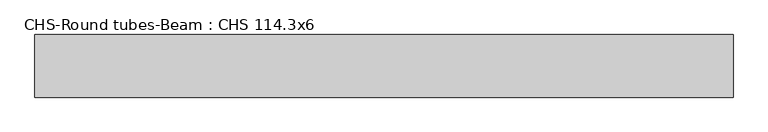
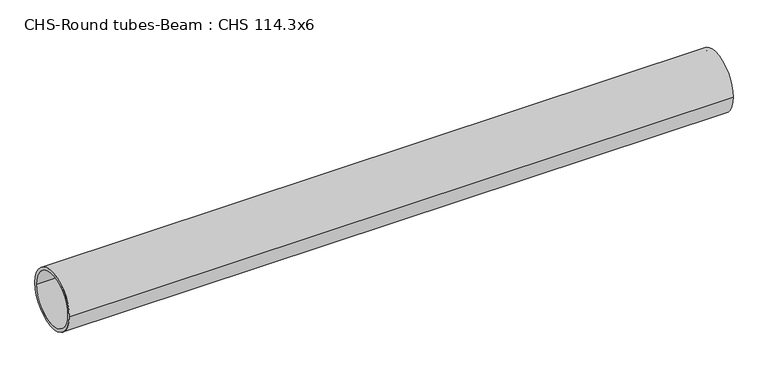
"""IFC4 building model written with IfcOpenShell, lengths in millimetres: beam geometry, CHS-Round tubes-Beam : CHS 114.3x6."""

import ifcopenshell
import ifcopenshell.guid

model = None  # the IFC model being written
_history = None  # IfcOwnerHistory: only IFC2X3 demands one
_inside = {}  # id of a spatial element -> (the spatial element, [elements in it])
_under = {}  # id of a project, library or spatial element -> (it, [spatial elements below it])
_declared = {}  # id of a project -> (the project, [libraries it declares])
_typed = {}  # id of a type object -> (the type object, [elements of that type])
_made_of = {}  # id of a material, layer set ... -> (it, [elements and type objects made of it])


def new_model(schema):
    """Start an empty IFC model of exactly this schema.

    Asked for "IFC4X3", IfcOpenShell would pick the latest addendum, in which some entities
    have other attributes; the version numbers below select the first issue.
    IFC2X3 requires an IfcOwnerHistory on every rooted entity: one is made here for all.
    """
    global model, _history
    if schema == "IFC4X3":
        model = ifcopenshell.file(schema_version=(4, 3, 0, 0))
    else:
        model = ifcopenshell.file(schema=schema)
    _inside.clear()
    _under.clear()
    _declared.clear()
    _typed.clear()
    _made_of.clear()
    _history = None
    if model.schema == "IFC2X3":
        org = make("IfcOrganization", Name="unknown")
        user = make(
            "IfcPersonAndOrganization",
            ThePerson=make("IfcPerson", FamilyName="unknown"),
            TheOrganization=org,
        )
        app = make(
            "IfcApplication",
            ApplicationDeveloper=org,
            Version="unknown",
            ApplicationFullName="unknown",
            ApplicationIdentifier="unknown",
        )
        _history = make(
            "IfcOwnerHistory",
            OwningUser=user,
            OwningApplication=app,
            ChangeAction="ADDED",
            CreationDate=0,
        )
    return model


def make(cls, **values):
    """One entity of the class cls with the attributes given. An attribute that is None is left unset."""
    return model.create_entity(
        cls, **{name: value for name, value in values.items() if value is not None}
    )


def rooted(cls, **values):
    """An entity with a GlobalId (a new one), such as an element, a storey or a relation."""
    return make(cls, GlobalId=ifcopenshell.guid.new(), OwnerHistory=_history, **values)


def si_unit(unit_type, name, prefix=None):
    """IfcSIUnit, for example si_unit("LENGTHUNIT", "METRE", prefix="MILLI")."""
    return make("IfcSIUnit", UnitType=unit_type, Prefix=prefix, Name=name)


def assignment(units):
    """IfcUnitAssignment: the units of a project."""
    return None if units is None else make("IfcUnitAssignment", Units=units)


def point(xyz):
    """IfcCartesianPoint."""
    return None if xyz is None else make("IfcCartesianPoint", Coordinates=xyz)


def direction(xyz):
    """IfcDirection."""
    return None if xyz is None else make("IfcDirection", DirectionRatios=xyz)


def frame(location, z_axis=None, x_axis=None):
    """IfcAxis2Placement3D, a coordinate frame: its origin and axes. An axis left out is left unset."""
    return make(
        "IfcAxis2Placement3D",
        Location=point(location),
        Axis=direction(z_axis),
        RefDirection=direction(x_axis),
    )


def frame_2d(location, x_axis=None):
    """IfcAxis2Placement2D, a coordinate frame in the plane: its origin and x axis."""
    return make(
        "IfcAxis2Placement2D", Location=point(location), RefDirection=direction(x_axis)
    )


def origin():
    """The frame at (0, 0, 0) with its axes left unset."""
    return frame((0.0, 0.0, 0.0))


def origin_2d():
    """The frame at (0, 0) in the plane with its x axis left unset."""
    return frame_2d((0.0, 0.0))


def place(relative_to, where):
    """IfcLocalPlacement: puts the frame where relative to a parent placement (None: the world)."""
    return make(
        "IfcLocalPlacement", PlacementRelTo=relative_to, RelativePlacement=where
    )


def context(
    kind, dimensions, precision=None, world=None, true_north=None, identifier=None
):
    """IfcGeometricRepresentationContext, for example the 3D "Model" context."""
    return make(
        "IfcGeometricRepresentationContext",
        ContextIdentifier=identifier,
        ContextType=kind,
        CoordinateSpaceDimension=dimensions,
        Precision=precision,
        WorldCoordinateSystem=world,
        TrueNorth=true_north,
    )


def project(units=None, contexts=None):
    """IfcProject with its units and contexts."""
    return rooted(
        "IfcProject",
        Name="project",
        RepresentationContexts=contexts,
        UnitsInContext=assignment(units),
    )


def spatial(cls, under=None, at=None, **own):
    """A site, building, storey or space (cls), placed at a placement, below another one or the project."""
    s = rooted(cls, ObjectPlacement=at, **own)
    if under is not None:
        _under.setdefault(under.id(), (under, []))[1].append(s)
    return s


def circle_curve(where, radius):
    """IfcCircle in the frame where."""
    return make("IfcCircle", Position=where, Radius=radius)


def trimmed(basis, trim1, trim2, sense, master):
    """IfcTrimmedCurve: the piece of a basis curve between two trims."""
    return make(
        "IfcTrimmedCurve",
        BasisCurve=basis,
        Trim1=trim1,
        Trim2=trim2,
        SenseAgreement=sense,
        MasterRepresentation=master,
    )


def segment(curve, same_sense, transition):
    """IfcCompositeCurveSegment."""
    return make(
        "IfcCompositeCurveSegment",
        Transition=transition,
        SameSense=same_sense,
        ParentCurve=curve,
    )


def composite_curve(segments, self_intersect=None):
    """IfcCompositeCurve: segments joined end to end."""
    return make("IfcCompositeCurve", Segments=segments, SelfIntersect=self_intersect)


def outline(outer, holes=None, kind="AREA"):
    """IfcArbitraryClosedProfileDef: a profile drawn as a closed curve; with holes, ...WithVoids."""
    if holes is None:
        return make("IfcArbitraryClosedProfileDef", ProfileType=kind, OuterCurve=outer)
    return make(
        "IfcArbitraryProfileDefWithVoids",
        ProfileType=kind,
        OuterCurve=outer,
        InnerCurves=holes,
    )


def extrude(swept, where, along, depth):
    """IfcExtrudedAreaSolid: the profile swept, set in the frame where, extruded along a direction by depth."""
    return make(
        "IfcExtrudedAreaSolid",
        SweptArea=swept,
        Position=where,
        ExtrudedDirection=direction(along),
        Depth=depth,
    )


def shape(context_of_items, identifier, shape_type, items):
    """IfcShapeRepresentation: the items that make up one representation, for example the "Body"."""
    return make(
        "IfcShapeRepresentation",
        ContextOfItems=context_of_items,
        RepresentationIdentifier=identifier,
        RepresentationType=shape_type,
        Items=items,
    )


def source(mapping_origin, context_of_items, identifier, shape_type, items):
    """IfcRepresentationMap: a shape defined once, which mapped items show again and again."""
    return make(
        "IfcRepresentationMap",
        MappingOrigin=mapping_origin,
        MappedRepresentation=shape(context_of_items, identifier, shape_type, items),
    )


def transform(
    local_origin,
    x_axis=None,
    y_axis=None,
    z_axis=None,
    scale=None,
    scale2=None,
    scale3=None,
    uniform=True,
):
    """IfcCartesianTransformationOperator3D, or its non-uniform kind. x_axis, y_axis, z_axis: its Axis1, 2, 3."""
    if uniform:
        return make(
            "IfcCartesianTransformationOperator3D",
            Axis1=direction(x_axis),
            Axis2=direction(y_axis),
            LocalOrigin=point(local_origin),
            Scale=scale,
            Axis3=direction(z_axis),
        )
    return make(
        "IfcCartesianTransformationOperator3DnonUniform",
        Axis1=direction(x_axis),
        Axis2=direction(y_axis),
        LocalOrigin=point(local_origin),
        Scale=scale,
        Axis3=direction(z_axis),
        Scale2=scale2,
        Scale3=scale3,
    )


def mapped(mapping_source, mapping_target):
    """IfcMappedItem: shows the shape of a source again, moved by a transform."""
    return make(
        "IfcMappedItem", MappingSource=mapping_source, MappingTarget=mapping_target
    )


def made_of(thing, what):
    """Note that an element or type object is made of a material, layer set ...; save() writes the relation."""
    if what is not None:
        _made_of.setdefault(what.id(), (what, []))[1].append(thing)
    return thing


def element(
    cls,
    number,
    at=None,
    inside=None,
    cuts=None,
    type_object=None,
    material=None,
    context=None,
    identifier="Body",
    shape_type=None,
    held_by="IfcProductDefinitionShape",
    body=None,
    shapes=None,
    **own,
):
    """One element of the class cls, such as IfcWall. Its Tag is "e" and its number.

    at: its placement. inside: the storey or other place that contains it. cuts: it is an
    opening in that element (IfcRelVoidsElement). A single representation is given by context,
    identifier, shape_type and body (its items); several are given by shapes. held_by: the class
    of the entity that holds the representations. save() writes the other relations.
    """
    e = rooted(cls, Tag="e%d" % number, ObjectPlacement=at, **own)
    if body is not None:
        shapes = [shape(context, identifier, shape_type, body)]
    if shapes is not None:
        e.Representation = make(held_by, Representations=shapes)
    if inside is not None:
        _inside.setdefault(inside.id(), (inside, []))[1].append(e)
    if cuts is not None:
        rooted(
            "IfcRelVoidsElement", RelatingBuildingElement=cuts, RelatedOpeningElement=e
        )
    if type_object is not None:
        _typed.setdefault(type_object.id(), (type_object, []))[1].append(e)
    return made_of(e, material)


def aggregate(whole, parts):
    """IfcRelAggregates: a whole, such as a stair, and the parts it consists of."""
    return rooted("IfcRelAggregates", RelatingObject=whole, RelatedObjects=parts)


def save(model, path):
    """Write the relations noted so far, then the file.

    IfcRelAggregates (storeys below a building ...), IfcRelContainedInSpatialStructure (elements
    in a storey), IfcRelDefinesByType, IfcRelAssociatesMaterial and IfcRelDeclares: one each for
    every whole, place, type object, material and project.
    """
    for whole, parts in _under.values():
        aggregate(whole, parts)
    for where, things in _inside.values():
        rooted(
            "IfcRelContainedInSpatialStructure",
            RelatedElements=things,
            RelatingStructure=where,
        )
    for kind, things in _typed.values():
        rooted("IfcRelDefinesByType", RelatedObjects=things, RelatingType=kind)
    for what, things in _made_of.values():
        rooted("IfcRelAssociatesMaterial", RelatedObjects=things, RelatingMaterial=what)
    for by, libraries in _declared.values():
        rooted("IfcRelDeclares", RelatingContext=by, RelatedDefinitions=libraries)
    model.write(path)


def chs_round_tubes_beam_chs_114_3x6_0b26f8ec(model_context):
    return source(origin(), model_context, "Body", "SweptSolid", [
        extrude(outline(composite_curve([segment(trimmed(circle_curve(origin_2d(), 57.15), [point((57.15, 0.0))], [point((-57.15, 0.0))], False, "CARTESIAN"), True, "CONTINUOUS"), segment(trimmed(circle_curve(origin_2d(), 57.15), [point((-57.15, 0.0))], [point((57.15, 0.0))], False, "CARTESIAN"), True, "CONTINUOUS")], self_intersect=False), holes=[composite_curve([segment(trimmed(circle_curve(origin_2d(), 51.15), [point((51.15, 0.0))], [point((-51.15, 0.0))], True, "CARTESIAN"), True, "CONTINUOUS"), segment(trimmed(circle_curve(origin_2d(), 51.15), [point((-51.15, 0.0))], [point((51.15, 0.0))], True, "CARTESIAN"), True, "CONTINUOUS")], self_intersect=False)]), frame((-639.7095602, 0.0, 0.0), z_axis=(1.0, 0.0, 0.0), x_axis=(0.0, 1.0, 0.0)), (0.0, 0.0, 1.0), 1273.8545514),
    ])


if __name__ == "__main__":
    model = new_model("IFC4")
    model_context = context("Model", 3, world=origin())
    ifc_project = project(units=[si_unit("LENGTHUNIT", "METRE", prefix="MILLI")], contexts=[model_context])
    site = spatial("IfcSite", under=ifc_project)
    building = spatial("IfcBuilding", under=site)
    placement = place(None, origin())
    chs_round_tubes_beam_chs_114_3x6_shape = chs_round_tubes_beam_chs_114_3x6_0b26f8ec(model_context)
    element("IfcBeam", 1, ObjectType="CHS-Round tubes-Beam : CHS 114.3x6", at=placement, inside=building, context=model_context, shape_type="MappedRepresentation", body=[
        mapped(chs_round_tubes_beam_chs_114_3x6_shape, transform((0.0, 0.0, 0.0), x_axis=(1.0, 0.0, 0.0), y_axis=(0.0, 1.0, 0.0), z_axis=(0.0, 0.0, 1.0))),
    ])
    save(model, "model.ifc")
